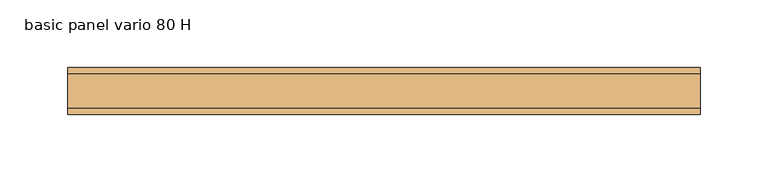
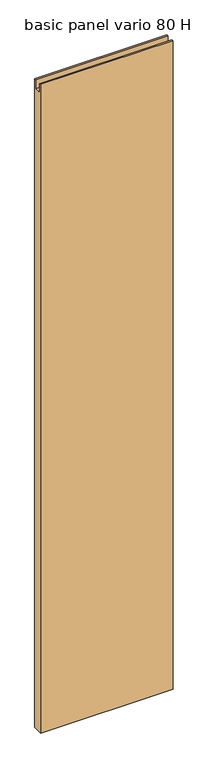
"""IFC4 building model written with IfcOpenShell, lengths in millimetres: door geometry, basic panel vario 80 H."""

from ifc_helpers import new_model, si_unit, frame, origin, place, context, project, spatial, polyline, outline, extrude, source, transform, mapped, element, save


def basic_panel_vario_80_h_116a9068(model_context):
    return source(origin(), model_context, "Body", "SweptSolid", [
        extrude(outline(polyline([(17.5, 11.0), (-17.5, 11.0), (-17.5, 2432.0), (-13.0, 2432.0), (-13.0, 2398.0), (13.0, 2398.0), (13.0, 2432.0), (17.5, 2432.0), (17.5, 11.0)])), frame((-234.0, 0.0, 0.0), z_axis=(1.0, 0.0, 0.0), x_axis=(0.0, 1.0, 0.0)), (0.0, 0.0, 1.0), 468.0),
    ])


if __name__ == "__main__":
    model = new_model("IFC4")
    model_context = context("Model", 3, world=origin())
    ifc_project = project(units=[si_unit("LENGTHUNIT", "METRE", prefix="MILLI")], contexts=[model_context])
    site = spatial("IfcSite", under=ifc_project)
    building = spatial("IfcBuilding", under=site)
    placement = place(None, origin())
    basic_panel_vario_80_h_shape = basic_panel_vario_80_h_116a9068(model_context)
    element("IfcDoor", 1, ObjectType="basic panel vario 80 H", at=placement, inside=building, context=model_context, shape_type="MappedRepresentation", body=[
        mapped(basic_panel_vario_80_h_shape, transform((0.0, 0.0, 0.0), x_axis=(1.0, 0.0, 0.0), y_axis=(0.0, 1.0, 0.0), z_axis=(0.0, 0.0, 1.0))),
    ])
    save(model, "model.ifc")
